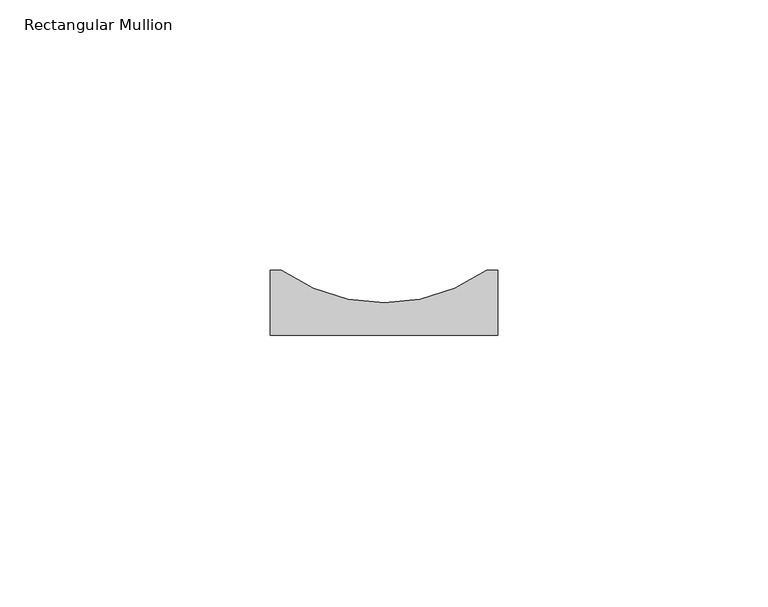
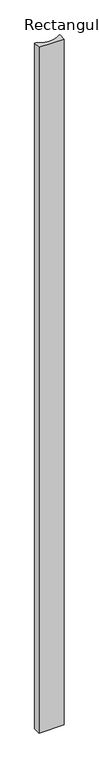
"""IFC4 building model written with IfcOpenShell, lengths in millimetres: member geometry, Rectangular Mullion."""

from ifc_helpers import new_model, si_unit, point, frame, frame_2d, origin, place, context, project, spatial, polyline, circle_curve, trimmed, segment, composite_curve, outline, extrude, source, transform, mapped, element, save


def rectangular_mullion_9b7f5bb5(model_context):
    return source(origin(), model_context, "Body", "SweptSolid", [
        extrude(outline(composite_curve([segment(polyline([(-21.0, 12.0), (-19.0, 12.0)]), True, "CONTINUOUS"), segment(trimmed(circle_curve(frame_2d((0.0, 39.0290149)), 33.0388808), [point((-19.0, 12.0))], [point((19.0, 12.0))], True, "CARTESIAN"), True, "CONTINUOUS"), segment(polyline([(19.0, 12.0), (21.0, 12.0), (21.0, 0.0), (-21.0, 0.0), (-21.0, 12.0)]), True, "CONTINUOUS")], self_intersect=False)), frame((0.0, 0.0, -1200.0), z_axis=(0.0, 0.0, 1.0), x_axis=(1.0, 0.0, 0.0)), (0.0, 0.0, 1.0), 1200.0),
    ])


if __name__ == "__main__":
    model = new_model("IFC4")
    model_context = context("Model", 3, world=origin())
    ifc_project = project(units=[si_unit("LENGTHUNIT", "METRE", prefix="MILLI")], contexts=[model_context])
    site = spatial("IfcSite", under=ifc_project)
    building = spatial("IfcBuilding", under=site)
    placement = place(None, origin())
    rectangular_mullion_shape = rectangular_mullion_9b7f5bb5(model_context)
    element("IfcMember", 1, ObjectType="Rectangular Mullion", at=placement, inside=building, context=model_context, shape_type="MappedRepresentation", body=[
        mapped(rectangular_mullion_shape, transform((0.0, 0.0, 0.0), x_axis=(1.0, 0.0, 0.0), y_axis=(0.0, 1.0, 0.0), z_axis=(0.0, 0.0, 1.0))),
    ])
    save(model, "model.ifc")
